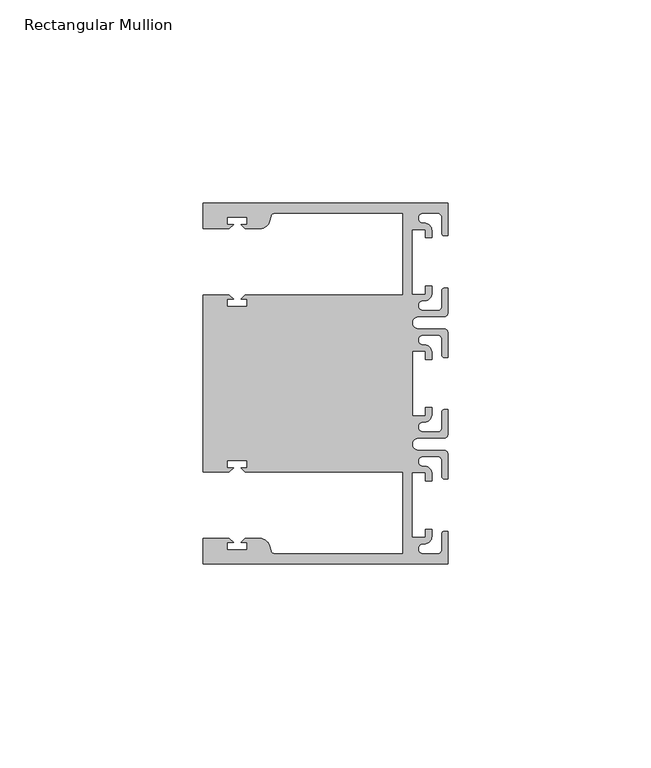
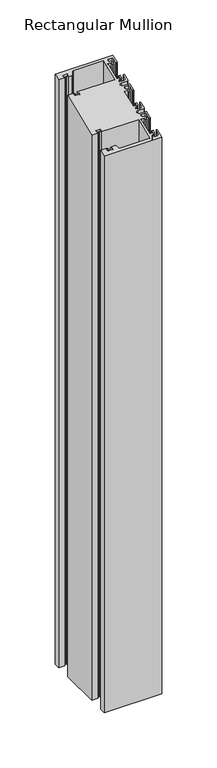
"""IFC4 building model written with IfcOpenShell, lengths in millimetres: member geometry, Rectangular Mullion."""

from ifc_helpers import new_model, si_unit, frame, origin, place, context, project, spatial, polyline, circle_curve, ellipse_curve, source, transform, mapped, element, save
from ifc_brep_helpers import plane_surface, cylinder_surface, revolved_surface, advanced_brep


def rectangular_mullion_e81c07d9(model_context):
    return source(origin(), model_context, "Body", "AdvancedBrep", [
        advanced_brep(
        [(0.0, 44.45, -635.0), (0.0, 36.4500318, -635.0), (-1.0, 36.4500318, -635.0), (-1.5, 36.9500318, -635.0), (-1.5, 40.95, -635.0), (-2.5, 41.95, -635.0), (-6.0499986, 41.95, -635.0), (-5.9027291, 39.4587029, -635.0), (-4.0000054, 37.7499972, -635.0), (-4.0000054, 35.9500318, -635.0), (-5.5, 35.9500318, -635.0), (-5.5, 37.9499972, -635.0), (-8.8585786, 37.9499972, -635.0), (-8.8585786, 21.9499956, -635.0), (-5.5, 21.9499956, -635.0), (-5.5, 23.9499611, -635.0), (-3.9999946, 23.9499611, -635.0), (-3.9999946, 22.0272972, -635.0), (-6.0499986, 20.4499956, -635.0), (-6.0499986, 17.9499929, -635.0), (-2.5, 17.9499929, -635.0), (-1.5, 18.9499929, -635.0), (-1.5, 22.9499611, -635.0), (-1.0, 23.4499611, -635.0), (0.0, 23.4499611, -635.0), (0.0, 17.4499929, -635.0), (-1.0, 16.4499929, -635.0), (-7.3, 16.4499929, -635.0), (-7.3046244, 13.45, -635.0), (-1.0, 13.45, -635.0), (0.0, 12.45, -635.0), (0.0, 6.4500354, -635.0), (-0.9999964, 6.4500354, -635.0), (-1.4999964, 6.9500354, -635.0), (-1.4999964, 10.95, -635.0), (-2.4999964, 11.95, -635.0), (-6.0499986, 11.95, -635.0), (-6.0499986, 9.4499972, -635.0), (-4.0000054, 7.7499972, -635.0), (-4.0000054, 5.9500318, -635.0), (-5.5, 5.9500318, -635.0), (-5.5, 7.9499972, -635.0), (-8.8, 7.9499972, -635.0), (-8.8, -7.9499972, -635.0), (-5.5, -7.9499972, -635.0), (-5.5, -5.9500318, -635.0), (-4.0000054, -5.9500318, -635.0), (-4.0000054, -7.7499972, -635.0), (-6.0499986, -9.4499972, -635.0), (-6.0499986, -11.95, -635.0), (-2.4999964, -11.95, -635.0), (-1.4999964, -10.95, -635.0), (-1.4999964, -6.9500354, -635.0), (-0.9999964, -6.4500354, -635.0), (0.0, -6.4500354, -635.0), (0.0, -12.45, -635.0), (-1.0, -13.45, -635.0), (-7.3046244, -13.45, -635.0), (-7.3, -16.4499929, -635.0), (-1.0, -16.4499929, -635.0), (0.0, -17.4499929, -635.0), (0.0, -23.4499611, -635.0), (-1.0, -23.4499611, -635.0), (-1.5, -22.9499611, -635.0), (-1.5, -18.9499929, -635.0), (-2.5, -17.9499929, -635.0), (-6.0499986, -17.9499929, -635.0), (-6.0499986, -20.4499956, -635.0), (-3.9999946, -22.0272972, -635.0), (-3.9999946, -23.9499611, -635.0), (-5.5, -23.9499611, -635.0), (-5.5, -21.9499956, -635.0), (-8.8585786, -21.9499956, -635.0), (-8.8585786, -37.9499972, -635.0), (-5.5, -37.9499972, -635.0), (-5.5, -35.9500318, -635.0), (-4.0000054, -35.9500318, -635.0), (-4.0000054, -37.7499972, -635.0), (-5.9027291, -39.4587029, -635.0), (-6.0499986, -41.95, -635.0), (-2.5, -41.95, -635.0), (-1.5, -40.95, -635.0), (-1.5, -36.9500318, -635.0), (-1.0, -36.4500318, -635.0), (0.0, -36.4500318, -635.0), (0.0, -44.45, -635.0), (-60.325, -44.45, -635.0), (-60.325, -38.1499897, -635.0), (-53.8507531, -38.1499897, -635.0), (-52.8507405, -39.1500023, -635.0), (-54.4249778, -39.1500023, -635.0), (-54.4249778, -40.9498819, -635.0), (-49.4249831, -40.9498819, -635.0), (-49.4249831, -39.1500023, -635.0), (-50.999256, -39.1500023, -635.0), (-49.9992503, -38.1499966, -635.0), (-46.3137853, -38.1499966, -635.0), (-43.8989707, -40.002949, -635.0), (-43.5758588, -41.2088192, -635.0), (-42.6099329, -41.9500001, -635.0), (-11.1125, -41.95, -635.0), (-11.1125, -21.7499959, -635.0), (-49.9992434, -21.7499959, -635.0), (-50.999256, -20.7499834, -635.0), (-49.4250186, -20.7499834, -635.0), (-49.4250186, -18.949936, -635.0), (-54.4250134, -18.949936, -635.0), (-54.4250134, -20.7499834, -635.0), (-52.8507405, -20.7499834, -635.0), (-53.8507562, -21.749999, -635.0), (-60.325, -21.749999, -635.0), (-60.325, 21.749999, -635.0), (-53.8507562, 21.749999, -635.0), (-52.8507405, 20.7499834, -635.0), (-54.4250134, 20.7499834, -635.0), (-54.4250134, 18.949936, -635.0), (-49.4250186, 18.949936, -635.0), (-49.4250186, 20.7499834, -635.0), (-50.999256, 20.7499834, -635.0), (-49.9992434, 21.7499959, -635.0), (-11.1124977, 21.7499959, -635.0), (-11.1124977, 41.95, -635.0), (-42.6099329, 41.95, -635.0), (-43.5758588, 41.2088192, -635.0), (-43.8989707, 40.002949, -635.0), (-46.3137853, 38.1499966, -635.0), (-49.9992503, 38.1499966, -635.0), (-50.999256, 39.1500023, -635.0), (-49.4249831, 39.1500023, -635.0), (-49.4249831, 40.9498819, -635.0), (-54.4249778, 40.9498819, -635.0), (-54.4249778, 39.1500023, -635.0), (-52.8507405, 39.1500023, -635.0), (-53.8507531, 38.1499897, -635.0), (-60.3249977, 38.1499897, -635.0), (-60.3249977, 44.45, -635.0), (-60.3249977, 44.45, 18.4117928), (0.0, 44.45, 18.4117928), (-60.3249977, 38.1499897, 15.8022431), (-53.8507531, 38.1499897, 15.8022431), (-52.8507405, 39.1500023, 16.2164619), (-54.4249778, 39.1500023, 16.2164619), (-54.4249778, 40.9498819, 16.9619965), (-49.4249831, 40.9498819, 16.9619965), (-49.4249831, 39.1500023, 16.2164619), (-50.999256, 39.1500023, 16.2164619), (-49.9992503, 38.1499966, 15.802246), (-46.3137853, 38.1499966, 15.802246), (-43.8989707, 40.002949, 16.569764), (-43.5758588, 41.2088192, 17.0692518), (-42.6099329, 41.9500001, 17.376259), (-11.1124977, 41.95, 17.3762589), (-11.1124977, 21.7499959, 9.0091433), (-49.9992434, 21.7499959, 9.0091433), (-50.999256, 20.7499834, 8.5949245), (-49.4250186, 20.7499834, 8.5949245), (-49.4250186, 18.949936, 7.8493205), (-54.4250134, 18.949936, 7.8493205), (-54.4250134, 20.7499834, 8.5949245), (-52.8507405, 20.7499834, 8.5949245), (-53.8507562, 21.749999, 9.0091446), (-60.325, 21.749999, 9.0091446), (-60.325, -21.749999, -9.0091446), (-53.8507562, -21.749999, -9.0091446), (-52.8507405, -20.7499834, -8.5949245), (-54.4250134, -20.7499834, -8.5949245), (-54.4250134, -18.949936, -7.8493205), (-49.4250186, -18.949936, -7.8493205), (-49.4250186, -20.7499834, -8.5949245), (-50.999256, -20.7499834, -8.5949245), (-49.9992434, -21.7499959, -9.0091433), (-11.1125, -21.7499959, -9.0091433), (-11.1125, -41.95, -17.3762589), (-42.6099329, -41.95, -17.376259), (-43.5758588, -41.2088192, -17.0692518), (-43.8989707, -40.002949, -16.569764), (-46.3137853, -38.1499966, -15.802246), (-49.9992503, -38.1499966, -15.802246), (-50.999256, -39.1500023, -16.2164619), (-49.4249831, -39.1500023, -16.2164619), (-49.4249831, -40.9498819, -16.9619965), (-54.4249778, -40.9498819, -16.9619965), (-54.4249778, -39.1500023, -16.2164619), (-52.8507405, -39.1500023, -16.2164619), (-53.8507531, -38.1499897, -15.8022431), (-60.325, -38.1499897, -15.8022431), (-60.325, -44.45, -18.4117928), (0.0, -44.45, -18.4117928), (0.0, -36.4500318, -15.0980975), (-1.0, -36.4500318, -15.0980975), (-1.5, -36.9500318, -15.3052043), (-1.5, -40.95, -16.9620454), (-2.5, -41.95, -17.3762589), (-6.0499986, -41.95, -17.3762589), (-5.9027291, -39.4587029, -16.3443299), (-4.0000054, -37.7499972, -15.6365608), (-4.0000054, -35.9500318, -14.8909907), (-5.5, -35.9500318, -14.8909907), (-5.5, -37.9499972, -15.7194036), (-8.8585786, -37.9499972, -15.7194036), (-8.8585786, -21.9499956, -9.0919859), (-5.5, -21.9499956, -9.0919859), (-5.5, -23.9499611, -9.9203987), (-3.9999946, -23.9499611, -9.9203987), (-3.9999946, -22.0272972, -9.1240053), (-6.0499986, -20.4499956, -8.4706655), (-6.0499986, -17.9499929, -7.4351305), (-2.5, -17.9499929, -7.4351305), (-1.5, -18.9499929, -7.8493441), (-1.5, -22.9499611, -9.5061851), (-1.0, -23.4499611, -9.7132919), (0.0, -23.4499611, -9.7132919), (0.0, -17.4499929, -7.2280237), (-1.0, -16.4499929, -6.8138101), (-7.3, -16.4499929, -6.8138101), (-7.3046244, -13.45, -5.5711724), (-1.0, -13.45, -5.5711724), (0.0, -12.45, -5.1569589), (0.0, -6.4500354, -2.6716921), (-0.9999964, -6.4500354, -2.6716921), (-1.4999964, -6.9500354, -2.8787989), (-1.4999964, -10.95, -4.5356385), (-2.4999964, -11.95, -4.9498521), (-6.0499986, -11.95, -4.9498521), (-6.0499986, -9.4499972, -3.914317), (-4.0000054, -7.7499972, -3.210154), (-4.0000054, -5.9500318, -2.4645839), (-5.5, -5.9500318, -2.4645839), (-5.5, -7.9499972, -3.2929967), (-8.8, -7.9499972, -3.2929967), (-8.8, 7.9499972, 3.2929967), (-5.5, 7.9499972, 3.2929967), (-5.5, 5.9500318, 2.4645839), (-4.0000054, 5.9500318, 2.4645839), (-4.0000054, 7.7499972, 3.210154), (-6.0499986, 9.4499972, 3.914317), (-6.0499986, 11.95, 4.9498521), (-2.4999964, 11.95, 4.9498521), (-1.4999964, 10.95, 4.5356385), (-1.4999964, 6.9500354, 2.8787989), (-0.9999964, 6.4500354, 2.6716921), (0.0, 6.4500354, 2.6716921), (0.0, 12.45, 5.1569589), (-1.0, 13.45, 5.5711724), (-7.3046244, 13.45, 5.5711724), (-7.3, 16.4499929, 6.8138101), (-1.0, 16.4499929, 6.8138101), (0.0, 17.4499929, 7.2280237), (0.0, 23.4499611, 9.7132919), (-1.0, 23.4499611, 9.7132919), (-1.5, 22.9499611, 9.5061851), (-1.5, 18.9499929, 7.8493441), (-2.5, 17.9499929, 7.4351305), (-6.0499986, 17.9499929, 7.4351305), (-6.0499986, 20.4499956, 8.4706655), (-3.9999946, 22.0272972, 9.1240053), (-3.9999946, 23.9499611, 9.9203987), (-5.5, 23.9499611, 9.9203987), (-5.5, 21.9499956, 9.0919859), (-8.8585786, 21.9499956, 9.0919859), (-8.8585786, 37.9499972, 15.7194036), (-5.5, 37.9499972, 15.7194036), (-5.5, 35.9500318, 14.8909907), (-4.0000054, 35.9500318, 14.8909907), (-4.0000054, 37.7499972, 15.6365608), (-5.9027291, 39.4587029, 16.3443299), (-6.0499986, 41.95, 17.3762589), (-2.5, 41.95, 17.3762589), (-1.5, 40.95, 16.9620454), (-1.5, 36.9500318, 15.3052043), (-1.0, 36.4500318, 15.0980975), (0.0, 36.4500318, 15.0980975)],
        [
            (0, 1),
            (1, 2),
            (2, 3, circle_curve(frame((-1.0, 36.9500318, -635.0), z_axis=(0.0, 0.0, -1.0), x_axis=(0.0, -1.0, 0.0)), 0.5)),
            (3, 4),
            (4, 5, circle_curve(frame((-2.5, 40.95, -635.0), z_axis=(0.0, 0.0, 1.0), x_axis=(0.0, -1.0, 0.0)), 1.0)),
            (5, 6),
            (6, 7, circle_curve(frame((-6.0499986, 40.6999986, -635.0), z_axis=(0.0, 0.0, 1.0), x_axis=(0.0, -1.0, 0.0)), 1.2500014)),
            (7, 8, circle_curve(frame((-5.7186029, 37.7499972, -635.0), z_axis=(0.0, 0.0, -1.0), x_axis=(1.0, 0.0, 0.0)), 1.7185975)),
            (8, 9),
            (9, 10),
            (10, 11),
            (11, 12),
            (12, 13),
            (13, 14),
            (14, 15),
            (15, 16),
            (16, 17),
            (17, 18, circle_curve(frame((-5.7543344, 22.1865598, -635.0), z_axis=(0.0, 0.0, -1.0), x_axis=(1.0, 0.0, 0.0)), 1.761554)),
            (18, 19, circle_curve(frame((-6.0499986, 19.1999942, -635.0), z_axis=(0.0, 0.0, 1.0), x_axis=(0.0, -1.0, 0.0)), 1.2500014)),
            (19, 20),
            (20, 21, circle_curve(frame((-2.5, 18.9499929, -635.0), z_axis=(0.0, 0.0, 1.0), x_axis=(0.0, -1.0, 0.0)), 1.0)),
            (21, 22),
            (22, 23, circle_curve(frame((-1.0, 22.9499611, -635.0), z_axis=(0.0, 0.0, -1.0), x_axis=(0.0, -1.0, 0.0)), 0.5)),
            (23, 24),
            (24, 25),
            (25, 26, circle_curve(frame((-1.0, 17.4499929, -635.0), z_axis=(0.0, 0.0, -1.0), x_axis=(0.0, -1.0, 0.0)), 1.0)),
            (26, 27),
            (27, 28, circle_curve(frame((-7.3, 14.9499929, -635.0), z_axis=(0.0, 0.0, 1.0), x_axis=(0.0, -1.0, 0.0)), 1.5)),
            (28, 29),
            (29, 30, circle_curve(frame((-1.0, 12.45, -635.0), z_axis=(0.0, 0.0, -1.0), x_axis=(0.0, -1.0, 0.0)), 1.0)),
            (30, 31),
            (31, 32),
            (32, 33, circle_curve(frame((-0.9999964, 6.9500354, -635.0), z_axis=(0.0, 0.0, -1.0), x_axis=(0.0, -1.0, 0.0)), 0.5)),
            (33, 34),
            (34, 35, circle_curve(frame((-2.4999964, 10.95, -635.0), z_axis=(0.0, 0.0, 1.0), x_axis=(0.0, -1.0, 0.0)), 1.0)),
            (35, 36),
            (36, 37, circle_curve(frame((-6.0499986, 10.6999986, -635.0), z_axis=(0.0, 0.0, 1.0), x_axis=(0.0, -1.0, 0.0)), 1.2500014)),
            (37, 38, circle_curve(frame((-5.7298824, 7.7499972, -635.0), z_axis=(0.0, 0.0, -1.0), x_axis=(1.0, 0.0, 0.0)), 1.729877)),
            (38, 39),
            (39, 40),
            (40, 41),
            (41, 42),
            (42, 43),
            (43, 44),
            (44, 45),
            (45, 46),
            (46, 47),
            (47, 48, circle_curve(frame((-5.7298824, -7.7499972, -635.0), z_axis=(0.0, 0.0, -1.0), x_axis=(1.0, 0.0, 0.0)), 1.729877)),
            (48, 49, circle_curve(frame((-6.0499986, -10.6999986, -635.0), z_axis=(0.0, 0.0, 1.0), x_axis=(0.0, 1.0, 0.0)), 1.2500014)),
            (49, 50),
            (50, 51, circle_curve(frame((-2.4999964, -10.95, -635.0), z_axis=(0.0, 0.0, 1.0), x_axis=(0.0, 1.0, 0.0)), 1.0)),
            (51, 52),
            (52, 53, circle_curve(frame((-0.9999964, -6.9500354, -635.0), z_axis=(0.0, 0.0, -1.0), x_axis=(0.0, 1.0, 0.0)), 0.5)),
            (53, 54),
            (54, 55),
            (55, 56, circle_curve(frame((-1.0, -12.45, -635.0), z_axis=(0.0, 0.0, -1.0), x_axis=(0.0, 1.0, 0.0)), 1.0)),
            (56, 57),
            (57, 58, circle_curve(frame((-7.3, -14.9499929, -635.0), z_axis=(0.0, 0.0, 1.0), x_axis=(0.0, 1.0, 0.0)), 1.5)),
            (58, 59),
            (59, 60, circle_curve(frame((-1.0, -17.4499929, -635.0), z_axis=(0.0, 0.0, -1.0), x_axis=(0.0, 1.0, 0.0)), 1.0)),
            (60, 61),
            (61, 62),
            (62, 63, circle_curve(frame((-1.0, -22.9499611, -635.0), z_axis=(0.0, 0.0, -1.0), x_axis=(0.0, 1.0, 0.0)), 0.5)),
            (63, 64),
            (64, 65, circle_curve(frame((-2.5, -18.9499929, -635.0), z_axis=(0.0, 0.0, 1.0), x_axis=(0.0, 1.0, 0.0)), 1.0)),
            (65, 66),
            (66, 67, circle_curve(frame((-6.0499986, -19.1999942, -635.0), z_axis=(0.0, 0.0, 1.0), x_axis=(0.0, 1.0, 0.0)), 1.2500014)),
            (67, 68, circle_curve(frame((-5.7543344, -22.1865598, -635.0), z_axis=(0.0, 0.0, -1.0), x_axis=(1.0, 0.0, 0.0)), 1.761554)),
            (68, 69),
            (69, 70),
            (70, 71),
            (71, 72),
            (72, 73),
            (73, 74),
            (74, 75),
            (75, 76),
            (76, 77),
            (77, 78, circle_curve(frame((-5.7186029, -37.7499972, -635.0), z_axis=(0.0, 0.0, -1.0), x_axis=(1.0, 0.0, 0.0)), 1.7185975)),
            (78, 79, circle_curve(frame((-6.0499986, -40.6999986, -635.0), z_axis=(0.0, 0.0, 1.0), x_axis=(0.0, 1.0, 0.0)), 1.2500014)),
            (79, 80),
            (80, 81, circle_curve(frame((-2.5, -40.95, -635.0), z_axis=(0.0, 0.0, 1.0), x_axis=(0.0, 1.0, 0.0)), 1.0)),
            (81, 82),
            (82, 83, circle_curve(frame((-1.0, -36.9500318, -635.0), z_axis=(0.0, 0.0, -1.0), x_axis=(0.0, 1.0, 0.0)), 0.5)),
            (83, 84),
            (84, 85),
            (85, 86),
            (86, 87),
            (87, 88),
            (88, 89),
            (89, 90),
            (90, 91),
            (91, 92),
            (92, 93),
            (93, 94),
            (94, 95),
            (95, 96),
            (96, 97, circle_curve(frame((-46.3137853, -40.6499966, -635.0), z_axis=(0.0, 0.0, -1.0), x_axis=(0.0, 1.0, 0.0)), 2.5)),
            (97, 98),
            (98, 99, circle_curve(frame((-42.6099329, -40.9500001, -635.0), z_axis=(0.0, 0.0, 1.0), x_axis=(0.0, 1.0, 0.0)), 1.0)),
            (99, 100),
            (100, 101),
            (101, 102),
            (102, 103),
            (103, 104),
            (104, 105),
            (105, 106),
            (106, 107),
            (107, 108),
            (108, 109),
            (109, 110),
            (110, 111),
            (111, 112),
            (112, 113),
            (113, 114),
            (114, 115),
            (115, 116),
            (116, 117),
            (117, 118),
            (118, 119),
            (119, 120),
            (120, 121),
            (121, 122),
            (122, 123, circle_curve(frame((-42.6099329, 40.9500001, -635.0), z_axis=(0.0, 0.0, 1.0), x_axis=(0.0, -1.0, 0.0)), 1.0)),
            (123, 124),
            (124, 125, circle_curve(frame((-46.3137853, 40.6499966, -635.0), z_axis=(0.0, 0.0, -1.0), x_axis=(0.0, -1.0, 0.0)), 2.5)),
            (125, 126),
            (126, 127),
            (127, 128),
            (128, 129),
            (129, 130),
            (130, 131),
            (131, 132),
            (132, 133),
            (133, 134),
            (134, 135),
            (135, 0),
            (136, 137),
            (137, 0),
            (135, 136),
            (138, 136),
            (134, 138),
            (139, 138),
            (133, 139),
            (140, 139),
            (132, 140),
            (141, 140),
            (131, 141),
            (142, 141),
            (130, 142),
            (143, 142),
            (129, 143),
            (144, 143),
            (128, 144),
            (145, 144),
            (127, 145),
            (146, 145),
            (126, 146),
            (147, 146),
            (125, 147),
            (148, 147, ellipse_curve(frame((-46.3137853, 40.6499966, 16.8377799), z_axis=(0.0, 0.3826834323650909, -0.9238795325112864), x_axis=(0.0, 0.9238795325112864, 0.3826834323650904)), 2.7059805, 2.5)),
            (124, 148),
            (149, 148),
            (123, 149),
            (150, 149, ellipse_curve(frame((-42.6099329, 40.9500001, 16.9620454), z_axis=(0.0, -0.3826834323650909, 0.9238795325112864), x_axis=(0.0, -0.9238795325112864, -0.3826834323650904)), 1.0823922, 1.0)),
            (122, 150),
            (151, 150),
            (121, 151),
            (152, 151),
            (120, 152),
            (153, 152),
            (119, 153),
            (154, 153),
            (118, 154),
            (155, 154),
            (117, 155),
            (156, 155),
            (116, 156),
            (157, 156),
            (115, 157),
            (158, 157),
            (114, 158),
            (159, 158),
            (113, 159),
            (160, 159),
            (112, 160),
            (161, 160),
            (111, 161),
            (162, 161),
            (110, 162),
            (163, 162),
            (109, 163),
            (164, 163),
            (108, 164),
            (165, 164),
            (107, 165),
            (166, 165),
            (106, 166),
            (167, 166),
            (105, 167),
            (168, 167),
            (104, 168),
            (169, 168),
            (103, 169),
            (170, 169),
            (102, 170),
            (171, 170),
            (101, 171),
            (172, 171),
            (100, 172),
            (173, 172),
            (99, 173),
            (174, 173, ellipse_curve(frame((-42.6099329, -40.9500001, -16.9620454), z_axis=(0.0, -0.3826834323650909, 0.9238795325112864), x_axis=(0.0, -0.9238795325112864, -0.3826834323650904)), 1.0823922, 1.0)),
            (98, 174),
            (175, 174),
            (97, 175),
            (176, 175, ellipse_curve(frame((-46.3137853, -40.6499966, -16.8377799), z_axis=(0.0, 0.3826834323650909, -0.9238795325112864), x_axis=(0.0, 0.9238795325112864, 0.3826834323650904)), 2.7059805, 2.5)),
            (96, 176),
            (177, 176),
            (95, 177),
            (178, 177),
            (94, 178),
            (179, 178),
            (93, 179),
            (180, 179),
            (92, 180),
            (181, 180),
            (91, 181),
            (182, 181),
            (90, 182),
            (183, 182),
            (89, 183),
            (184, 183),
            (88, 184),
            (185, 184),
            (87, 185),
            (186, 185),
            (86, 186),
            (187, 186),
            (85, 187),
            (188, 187),
            (84, 188),
            (189, 188),
            (83, 189),
            (190, 189, ellipse_curve(frame((-1.0, -36.9500318, -15.3052043), z_axis=(0.0, 0.3826834323650909, -0.9238795325112864), x_axis=(0.0, 0.9238795325112864, 0.3826834323650904)), 0.5411961, 0.5)),
            (82, 190),
            (191, 190),
            (81, 191),
            (192, 191, ellipse_curve(frame((-2.5, -40.95, -16.9620454), z_axis=(0.0, -0.3826834323650909, 0.9238795325112864), x_axis=(0.0, -0.9238795325112864, -0.3826834323650904)), 1.0823922, 1.0)),
            (80, 192),
            (193, 192),
            (79, 193),
            (194, 193, ellipse_curve(frame((-6.0499986, -40.6999986, -16.8584914), z_axis=(0.0, -0.3826834323650909, 0.9238795325112864), x_axis=(0.0, -0.9238795325112864, -0.3826834323650904)), 1.3529917, 1.2500014)),
            (78, 194),
            (195, 194, ellipse_curve(frame((-5.7186029, -37.7499972, -15.6365608), z_axis=(0.0, 0.3826834323650909, -0.9238795325112864), x_axis=(0.0, 0.9238795325112864, 0.3826834323650904)), 1.8601965, 1.7185975)),
            (77, 195),
            (196, 195),
            (76, 196),
            (197, 196),
            (75, 197),
            (198, 197),
            (74, 198),
            (199, 198),
            (73, 199),
            (200, 199),
            (72, 200),
            (201, 200),
            (71, 201),
            (202, 201),
            (70, 202),
            (203, 202),
            (69, 203),
            (204, 203),
            (68, 204),
            (205, 204, ellipse_curve(frame((-5.7543344, -22.1865598, -9.189974), z_axis=(0.0, 0.3826834323650909, -0.9238795325112864), x_axis=(0.0, 0.9238795325112864, 0.3826834323650904)), 1.9066923, 1.761554)),
            (67, 205),
            (206, 205, ellipse_curve(frame((-6.0499986, -19.1999942, -7.952898), z_axis=(0.0, -0.3826834323650909, 0.9238795325112864), x_axis=(0.0, -0.9238795325112864, -0.3826834323650904)), 1.3529917, 1.2500014)),
            (66, 206),
            (207, 206),
            (65, 207),
            (208, 207, ellipse_curve(frame((-2.5, -18.9499929, -7.8493441), z_axis=(0.0, -0.3826834323650909, 0.9238795325112864), x_axis=(0.0, -0.9238795325112864, -0.3826834323650904)), 1.0823922, 1.0)),
            (64, 208),
            (209, 208),
            (63, 209),
            (210, 209, ellipse_curve(frame((-1.0, -22.9499611, -9.5061851), z_axis=(0.0, 0.3826834323650909, -0.9238795325112864), x_axis=(0.0, 0.9238795325112864, 0.3826834323650904)), 0.5411961, 0.5)),
            (62, 210),
            (211, 210),
            (61, 211),
            (212, 211),
            (60, 212),
            (213, 212, ellipse_curve(frame((-1.0, -17.4499929, -7.2280237), z_axis=(0.0, 0.3826834323650909, -0.9238795325112864), x_axis=(0.0, 0.9238795325112864, 0.3826834323650904)), 1.0823922, 1.0)),
            (59, 213),
            (214, 213),
            (58, 214),
            (215, 214, ellipse_curve(frame((-7.3, -14.9499929, -6.1924898), z_axis=(0.0, -0.3826834323650909, 0.9238795325112864), x_axis=(0.0, -0.9238795325112864, -0.3826834323650904)), 1.6235883, 1.5)),
            (57, 215),
            (216, 215),
            (56, 216),
            (217, 216, ellipse_curve(frame((-1.0, -12.45, -5.1569589), z_axis=(0.0, 0.3826834323650909, -0.9238795325112864), x_axis=(0.0, 0.9238795325112864, 0.3826834323650904)), 1.0823922, 1.0)),
            (55, 217),
            (218, 217),
            (54, 218),
            (219, 218),
            (53, 219),
            (220, 219, ellipse_curve(frame((-0.9999964, -6.9500354, -2.8787989), z_axis=(0.0, 0.3826834323650909, -0.9238795325112864), x_axis=(0.0, 0.9238795325112864, 0.3826834323650904)), 0.5411961, 0.5)),
            (52, 220),
            (221, 220),
            (51, 221),
            (222, 221, ellipse_curve(frame((-2.4999964, -10.95, -4.5356385), z_axis=(0.0, -0.3826834323650909, 0.9238795325112864), x_axis=(0.0, -0.9238795325112864, -0.3826834323650904)), 1.0823922, 1.0)),
            (50, 222),
            (223, 222),
            (49, 223),
            (224, 223, ellipse_curve(frame((-6.0499986, -10.6999986, -4.4320845), z_axis=(0.0, -0.3826834323650909, 0.9238795325112864), x_axis=(0.0, -0.9238795325112864, -0.3826834323650904)), 1.3529917, 1.2500014)),
            (48, 224),
            (225, 224, ellipse_curve(frame((-5.7298824, -7.7499972, -3.210154), z_axis=(0.0, 0.3826834323650909, -0.9238795325112864), x_axis=(0.0, 0.9238795325112864, 0.3826834323650904)), 1.8724054, 1.729877)),
            (47, 225),
            (226, 225),
            (46, 226),
            (227, 226),
            (45, 227),
            (228, 227),
            (44, 228),
            (229, 228),
            (43, 229),
            (230, 229),
            (42, 230),
            (231, 230),
            (41, 231),
            (232, 231),
            (40, 232),
            (233, 232),
            (39, 233),
            (234, 233),
            (38, 234),
            (235, 234, ellipse_curve(frame((-5.7298824, 7.7499972, 3.210154), z_axis=(0.0, 0.3826834323650909, -0.9238795325112864), x_axis=(0.0, 0.9238795325112864, 0.3826834323650904)), 1.8724054, 1.729877)),
            (37, 235),
            (236, 235, ellipse_curve(frame((-6.0499986, 10.6999986, 4.4320845), z_axis=(0.0, -0.3826834323650909, 0.9238795325112864), x_axis=(0.0, -0.9238795325112864, -0.3826834323650904)), 1.3529917, 1.2500014)),
            (36, 236),
            (237, 236),
            (35, 237),
            (238, 237, ellipse_curve(frame((-2.4999964, 10.95, 4.5356385), z_axis=(0.0, -0.3826834323650909, 0.9238795325112864), x_axis=(0.0, -0.9238795325112864, -0.3826834323650904)), 1.0823922, 1.0)),
            (34, 238),
            (239, 238),
            (33, 239),
            (240, 239, ellipse_curve(frame((-0.9999964, 6.9500354, 2.8787989), z_axis=(0.0, 0.3826834323650909, -0.9238795325112864), x_axis=(0.0, 0.9238795325112864, 0.3826834323650904)), 0.5411961, 0.5)),
            (32, 240),
            (241, 240),
            (31, 241),
            (242, 241),
            (30, 242),
            (243, 242, ellipse_curve(frame((-1.0, 12.45, 5.1569589), z_axis=(0.0, 0.3826834323650909, -0.9238795325112864), x_axis=(0.0, 0.9238795325112864, 0.3826834323650904)), 1.0823922, 1.0)),
            (29, 243),
            (244, 243),
            (28, 244),
            (245, 244, ellipse_curve(frame((-7.3, 14.9499929, 6.1924898), z_axis=(0.0, -0.3826834323650909, 0.9238795325112864), x_axis=(0.0, -0.9238795325112864, -0.3826834323650904)), 1.6235883, 1.5)),
            (27, 245),
            (246, 245),
            (26, 246),
            (247, 246, ellipse_curve(frame((-1.0, 17.4499929, 7.2280237), z_axis=(0.0, 0.3826834323650909, -0.9238795325112864), x_axis=(0.0, 0.9238795325112864, 0.3826834323650904)), 1.0823922, 1.0)),
            (25, 247),
            (248, 247),
            (24, 248),
            (249, 248),
            (23, 249),
            (250, 249, ellipse_curve(frame((-1.0, 22.9499611, 9.5061851), z_axis=(0.0, 0.3826834323650909, -0.9238795325112864), x_axis=(0.0, 0.9238795325112864, 0.3826834323650904)), 0.5411961, 0.5)),
            (22, 250),
            (251, 250),
            (21, 251),
            (252, 251, ellipse_curve(frame((-2.5, 18.9499929, 7.8493441), z_axis=(0.0, -0.3826834323650909, 0.9238795325112864), x_axis=(0.0, -0.9238795325112864, -0.3826834323650904)), 1.0823922, 1.0)),
            (20, 252),
            (253, 252),
            (19, 253),
            (254, 253, ellipse_curve(frame((-6.0499986, 19.1999942, 7.952898), z_axis=(0.0, -0.3826834323650909, 0.9238795325112864), x_axis=(0.0, -0.9238795325112864, -0.3826834323650904)), 1.3529917, 1.2500014)),
            (18, 254),
            (255, 254, ellipse_curve(frame((-5.7543344, 22.1865598, 9.189974), z_axis=(0.0, 0.3826834323650909, -0.9238795325112864), x_axis=(0.0, 0.9238795325112864, 0.3826834323650904)), 1.9066923, 1.761554)),
            (17, 255),
            (256, 255),
            (16, 256),
            (257, 256),
            (15, 257),
            (258, 257),
            (14, 258),
            (259, 258),
            (13, 259),
            (260, 259),
            (12, 260),
            (261, 260),
            (11, 261),
            (262, 261),
            (10, 262),
            (263, 262),
            (9, 263),
            (264, 263),
            (8, 264),
            (265, 264, ellipse_curve(frame((-5.7186029, 37.7499972, 15.6365608), z_axis=(0.0, 0.3826834323650909, -0.9238795325112864), x_axis=(0.0, 0.9238795325112864, 0.3826834323650904)), 1.8601965, 1.7185975)),
            (7, 265),
            (266, 265, ellipse_curve(frame((-6.0499986, 40.6999986, 16.8584914), z_axis=(0.0, -0.3826834323650909, 0.9238795325112864), x_axis=(0.0, -0.9238795325112864, -0.3826834323650904)), 1.3529917, 1.2500014)),
            (6, 266),
            (267, 266),
            (5, 267),
            (268, 267, ellipse_curve(frame((-2.5, 40.95, 16.9620454), z_axis=(0.0, -0.3826834323650909, 0.9238795325112864), x_axis=(0.0, -0.9238795325112864, -0.3826834323650904)), 1.0823922, 1.0)),
            (4, 268),
            (269, 268),
            (3, 269),
            (270, 269, ellipse_curve(frame((-1.0, 36.9500318, 15.3052043), z_axis=(0.0, 0.3826834323650909, -0.9238795325112864), x_axis=(0.0, 0.9238795325112864, 0.3826834323650904)), 0.5411961, 0.5)),
            (2, 270),
            (271, 270),
            (1, 271),
            (137, 271),
        ],
        [
            plane_surface(frame((0.0, -74.9326906, -635.0), z_axis=(0.0, 0.0, -1.0), x_axis=(-1.0, 0.0, 0.0))),
            plane_surface(frame((0.0, 44.45, 0.0), z_axis=(0.0, 1.0, 0.0), x_axis=(0.0, 0.0, -1.0))),
            plane_surface(frame((-60.3249977, 44.45, 0.0), z_axis=(-1.0, 0.0, 0.0), x_axis=(0.0, 0.0, -1.0))),
            plane_surface(frame((-60.3249977, 38.1499897, 0.0), z_axis=(0.0, -1.0, 0.0), x_axis=(0.0, 0.0, -1.0))),
            plane_surface(frame((-53.8507531, 38.1499897, 0.0), z_axis=(0.7071067811865492, -0.7071067811865459, 0.0), x_axis=(0.0, 0.0, -1.0))),
            plane_surface(frame((-52.8507405, 39.1500023, 0.0), z_axis=(0.0, 1.0, 0.0), x_axis=(0.0, 0.0, -1.0))),
            plane_surface(frame((-54.4249778, 39.1500023, 0.0), z_axis=(1.0, 0.0, 0.0), x_axis=(0.0, 0.0, -1.0))),
            plane_surface(frame((-54.4249778, 40.9498819, 0.0), z_axis=(0.0, -1.0, 0.0), x_axis=(0.0, 0.0, -1.0))),
            plane_surface(frame((-49.4249831, 40.9498819, 0.0), z_axis=(-1.0, 0.0, 0.0), x_axis=(0.0, 0.0, -1.0))),
            plane_surface(frame((-49.4249831, 39.1500023, 0.0), z_axis=(0.0, 1.0, 0.0), x_axis=(0.0, 0.0, -1.0))),
            plane_surface(frame((-50.999256, 39.1500023, 0.0), z_axis=(-0.7071067811865469, -0.7071067811865481, 0.0), x_axis=(0.0, 0.0, -1.0))),
            plane_surface(frame((-49.9992503, 38.1499966, 0.0), z_axis=(0.0, -1.0, 0.0), x_axis=(0.0, 0.0, -1.0))),
            cylinder_surface(frame((-46.3137853, 40.6499966, 0.0), z_axis=(0.0, 0.0, 1.0), x_axis=(0.0, -1.0, 0.0)), 2.5),
            plane_surface(frame((-43.8989707, 40.002949, 0.0), z_axis=(0.965925826289163, -0.2588190451021675, 0.0), x_axis=(0.0, 0.0, -1.0))),
            revolved_surface(polyline([(-42.6099329, 39.9500001, -635.0), (-42.6099329, 39.9500001, 17.376259)]), (-42.6099329, 40.9500001, 0.0), (0.0, 0.0, -1.0)),
            plane_surface(frame((-42.6099329, 41.95, 0.0), z_axis=(0.0, -1.0, 0.0), x_axis=(0.0, 0.0, -1.0))),
            plane_surface(frame((-11.1124977, 41.95, 0.0), z_axis=(-1.0, 0.0, 0.0), x_axis=(0.0, 0.0, -1.0))),
            plane_surface(frame((-11.1124977, 21.7499959, 0.0), z_axis=(0.0, 1.0, 0.0), x_axis=(0.0, 0.0, -1.0))),
            plane_surface(frame((-49.9992434, 21.7499959, 0.0), z_axis=(-0.7071067811865492, 0.7071067811865459, 0.0), x_axis=(0.0, 0.0, -1.0))),
            plane_surface(frame((-50.999256, 20.7499834, 0.0), z_axis=(0.0, -1.0, 0.0), x_axis=(0.0, 0.0, -1.0))),
            plane_surface(frame((-49.4250186, 20.7499834, 0.0), z_axis=(-1.0, 0.0, 0.0), x_axis=(0.0, 0.0, -1.0))),
            plane_surface(frame((-49.4250186, 18.949936, 0.0), z_axis=(0.0, 1.0, 0.0), x_axis=(0.0, 0.0, -1.0))),
            plane_surface(frame((-54.4250134, 18.949936, 0.0), z_axis=(1.0, 0.0, 0.0), x_axis=(0.0, 0.0, -1.0))),
            plane_surface(frame((-54.4250134, 20.7499834, 0.0), z_axis=(0.0, -1.0, 0.0), x_axis=(0.0, 0.0, -1.0))),
            plane_surface(frame((-52.8507405, 20.7499834, 0.0), z_axis=(0.7071067811865472, 0.7071067811865479, 0.0), x_axis=(0.0, 0.0, -1.0))),
            plane_surface(frame((-53.8507562, 21.749999, 0.0), z_axis=(0.0, 1.0, 0.0), x_axis=(0.0, 0.0, -1.0))),
            plane_surface(frame((-60.325, 21.749999, 0.0), z_axis=(-1.0, 0.0, 0.0), x_axis=(0.0, 0.0, -1.0))),
            plane_surface(frame((-60.325, -21.749999, 0.0), z_axis=(0.0, -1.0, 0.0), x_axis=(0.0, 0.0, -1.0))),
            plane_surface(frame((-53.8507562, -21.749999, 0.0), z_axis=(0.7071067811865518, -0.7071067811865434, 0.0), x_axis=(0.0, 0.0, -1.0))),
            plane_surface(frame((-52.8507405, -20.7499834, 0.0), z_axis=(0.0, 1.0, 0.0), x_axis=(0.0, 0.0, -1.0))),
            plane_surface(frame((-54.4250134, -20.7499834, 0.0), z_axis=(1.0, 0.0, 0.0), x_axis=(0.0, 0.0, -1.0))),
            plane_surface(frame((-54.4250134, -18.949936, 0.0), z_axis=(0.0, -1.0, 0.0), x_axis=(0.0, 0.0, -1.0))),
            plane_surface(frame((-49.4250186, -18.949936, 0.0), z_axis=(-1.0, 0.0, 0.0), x_axis=(0.0, 0.0, -1.0))),
            plane_surface(frame((-49.4250186, -20.7499834, 0.0), z_axis=(0.0, 1.0, 0.0), x_axis=(0.0, 0.0, -1.0))),
            plane_surface(frame((-50.999256, -20.7499834, 0.0), z_axis=(-0.7071067811865447, -0.7071067811865505, 0.0), x_axis=(0.0, 0.0, -1.0))),
            plane_surface(frame((-49.9992434, -21.7499959, 0.0), z_axis=(0.0, -1.0, 0.0), x_axis=(0.0, 0.0, -1.0))),
            plane_surface(frame((-11.1125, -21.7499959, 0.0), z_axis=(-1.0, 0.0, 0.0), x_axis=(0.0, 0.0, -1.0))),
            plane_surface(frame((-11.1125, -41.95, 0.0), z_axis=(0.0, 1.0, 0.0), x_axis=(0.0, 0.0, -1.0))),
            revolved_surface(polyline([(-42.6099329, -39.9500001, -635.0), (-42.6099329, -39.9500001, -16.547831837738798)]), (-42.6099329, -40.9500001, 0.0), (0.0, 0.0, -1.0)),
            plane_surface(frame((-43.5758588, -41.2088192, 0.0), z_axis=(0.9659258262891613, 0.2588190451021737, 0.0), x_axis=(0.0, 0.0, -1.0))),
            cylinder_surface(frame((-46.3137853, -40.6499966, 0.0), z_axis=(0.0, 0.0, 1.0), x_axis=(0.0, 1.0, 0.0)), 2.5),
            plane_surface(frame((-46.3137853, -38.1499966, 0.0), z_axis=(0.0, 1.0, 0.0), x_axis=(0.0, 0.0, -1.0))),
            plane_surface(frame((-49.9992503, -38.1499966, 0.0), z_axis=(-0.7071067811865515, 0.7071067811865436, 0.0), x_axis=(0.0, 0.0, -1.0))),
            plane_surface(frame((-50.999256, -39.1500023, 0.0), z_axis=(0.0, -1.0, 0.0), x_axis=(0.0, 0.0, -1.0))),
            plane_surface(frame((-49.4249831, -39.1500023, 0.0), z_axis=(-1.0, 0.0, 0.0), x_axis=(0.0, 0.0, -1.0))),
            plane_surface(frame((-49.4249831, -40.9498819, 0.0), z_axis=(0.0, 1.0, 0.0), x_axis=(0.0, 0.0, -1.0))),
            plane_surface(frame((-54.4249778, -40.9498819, 0.0), z_axis=(1.0, 0.0, 0.0), x_axis=(0.0, 0.0, -1.0))),
            plane_surface(frame((-54.4249778, -39.1500023, 0.0), z_axis=(0.0, -1.0, 0.0), x_axis=(0.0, 0.0, -1.0))),
            plane_surface(frame((-52.8507405, -39.1500023, 0.0), z_axis=(0.7071067811865447, 0.7071067811865505, 0.0), x_axis=(0.0, 0.0, -1.0))),
            plane_surface(frame((-53.8507531, -38.1499897, 0.0), z_axis=(0.0, 1.0, 0.0), x_axis=(0.0, 0.0, -1.0))),
            plane_surface(frame((-60.325, -38.1499897, 0.0), z_axis=(-1.0, 0.0, 0.0), x_axis=(0.0, 0.0, -1.0))),
            plane_surface(frame((-60.325, -44.45, 0.0), z_axis=(0.0, -1.0, 0.0), x_axis=(0.0, 0.0, -1.0))),
            plane_surface(frame((0.0, -44.45, 0.0), z_axis=(1.0, 0.0, 0.0), x_axis=(0.0, 0.0, -1.0))),
            plane_surface(frame((0.0, -36.4500318, 0.0), z_axis=(0.0, 1.0, 0.0), x_axis=(0.0, 0.0, -1.0))),
            cylinder_surface(frame((-1.0, -36.9500318, 0.0), z_axis=(0.0, 0.0, 1.0), x_axis=(0.0, 1.0, 0.0)), 0.5),
            plane_surface(frame((-1.5, -36.9500318, 0.0), z_axis=(-1.0, 0.0, 0.0), x_axis=(0.0, 0.0, -1.0))),
            revolved_surface(polyline([(-2.5, -39.95, -635.0), (-2.5, -39.95, -16.547831837738798)]), (-2.5, -40.95, 0.0), (0.0, 0.0, -1.0)),
            plane_surface(frame((-2.5, -41.95, 0.0), z_axis=(0.0, 1.0, 0.0), x_axis=(0.0, 0.0, -1.0))),
            revolved_surface(polyline([(-6.0499986, -39.4499972, -635.0), (-6.0499986, -39.4499972, -16.34072389228252)]), (-6.0499986, -40.6999986, 0.0), (0.0, 0.0, -1.0)),
            cylinder_surface(frame((-5.7186029, -37.7499972, 0.0), z_axis=(0.0, 0.0, 1.0), x_axis=(1.0, 0.0, 0.0)), 1.7185975),
            plane_surface(frame((-4.0000054, -37.7499972, 0.0), z_axis=(1.0, 0.0, 0.0), x_axis=(0.0, 0.0, -1.0))),
            plane_surface(frame((-4.0000054, -35.9500318, 0.0), z_axis=(0.0, 1.0, 0.0), x_axis=(0.0, 0.0, -1.0))),
            plane_surface(frame((-5.5, -35.9500318, 0.0), z_axis=(-1.0, 0.0, 0.0), x_axis=(0.0, 0.0, -1.0))),
            plane_surface(frame((-5.5, -37.9499972, 0.0), z_axis=(0.0, 1.0, 0.0), x_axis=(0.0, 0.0, -1.0))),
            plane_surface(frame((-8.8585786, -37.9499972, 0.0), z_axis=(1.0, 0.0, 0.0), x_axis=(0.0, 0.0, -1.0))),
            plane_surface(frame((-8.8585786, -21.9499956, 0.0), z_axis=(0.0, -1.0, 0.0), x_axis=(0.0, 0.0, -1.0))),
            plane_surface(frame((-5.5, -21.9499956, 0.0), z_axis=(-1.0, 0.0, 0.0), x_axis=(0.0, 0.0, -1.0))),
            plane_surface(frame((-5.5, -23.9499611, 0.0), z_axis=(0.0, -1.0, 0.0), x_axis=(0.0, 0.0, -1.0))),
            plane_surface(frame((-3.9999946, -23.9499611, 0.0), z_axis=(1.0, 0.0, 0.0), x_axis=(0.0, 0.0, -1.0))),
            cylinder_surface(frame((-5.7543344, -22.1865598, 0.0), z_axis=(0.0, 0.0, 1.0), x_axis=(1.0, 0.0, 0.0)), 1.761554),
            revolved_surface(polyline([(-6.0499986, -17.9499928, -635.0), (-6.0499986, -17.9499928, -7.435130492282521)]), (-6.0499986, -19.1999942, 0.0), (0.0, 0.0, -1.0)),
            plane_surface(frame((-6.0499986, -17.9499929, 0.0), z_axis=(0.0, -1.0, 0.0), x_axis=(0.0, 0.0, -1.0))),
            revolved_surface(polyline([(-2.5, -17.9499929, -635.0), (-2.5, -17.9499929, -7.4351305)]), (-2.5, -18.9499929, 0.0), (0.0, 0.0, -1.0)),
            plane_surface(frame((-1.5, -18.9499929, 0.0), z_axis=(-1.0, 0.0, 0.0), x_axis=(0.0, 0.0, -1.0))),
            cylinder_surface(frame((-1.0, -22.9499611, 0.0), z_axis=(0.0, 0.0, 1.0), x_axis=(0.0, 1.0, 0.0)), 0.5),
            plane_surface(frame((-1.0, -23.4499611, 0.0), z_axis=(0.0, -1.0, 0.0), x_axis=(0.0, 0.0, -1.0))),
            plane_surface(frame((0.0, -23.4499611, 0.0), z_axis=(1.0, 0.0, 0.0), x_axis=(0.0, 0.0, -1.0))),
            cylinder_surface(frame((-1.0, -17.4499929, 0.0), z_axis=(0.0, 0.0, 1.0), x_axis=(0.0, 1.0, 0.0)), 1.0),
            plane_surface(frame((-1.0, -16.4499929, 0.0), z_axis=(0.0, 1.0, 0.0), x_axis=(0.0, 0.0, -1.0))),
            revolved_surface(polyline([(-7.3, -13.4499929, -635.0), (-7.3, -13.4499929, -5.571169456608198)]), (-7.3, -14.9499929, 0.0), (0.0, 0.0, -1.0)),
            plane_surface(frame((-7.3046244, -13.45, 0.0), z_axis=(0.0, -1.0, 0.0), x_axis=(0.0, 0.0, -1.0))),
            cylinder_surface(frame((-1.0, -12.45, 0.0), z_axis=(0.0, 0.0, 1.0), x_axis=(0.0, 1.0, 0.0)), 1.0),
            plane_surface(frame((0.0, -12.45, 0.0), z_axis=(1.0, 0.0, 0.0), x_axis=(0.0, 0.0, -1.0))),
            plane_surface(frame((0.0, -6.4500354, 0.0), z_axis=(0.0, 1.0, 0.0), x_axis=(0.0, 0.0, -1.0))),
            cylinder_surface(frame((-0.9999964, -6.9500354, 0.0), z_axis=(0.0, 0.0, 1.0), x_axis=(0.0, 1.0, 0.0)), 0.5),
            plane_surface(frame((-1.4999964, -6.9500354, 0.0), z_axis=(-1.0, 0.0, 0.0), x_axis=(0.0, 0.0, -1.0))),
            revolved_surface(polyline([(-2.4999964, -9.95, -635.0), (-2.4999964, -9.95, -4.121424937738799)]), (-2.4999964, -10.95, 0.0), (0.0, 0.0, -1.0)),
            plane_surface(frame((-2.4999964, -11.95, 0.0), z_axis=(0.0, 1.0, 0.0), x_axis=(0.0, 0.0, -1.0))),
            revolved_surface(polyline([(-6.0499986, -9.4499972, -635.0), (-6.0499986, -9.4499972, -3.9143169922825214)]), (-6.0499986, -10.6999986, 0.0), (0.0, 0.0, -1.0)),
            cylinder_surface(frame((-5.7298824, -7.7499972, 0.0), z_axis=(0.0, 0.0, 1.0), x_axis=(1.0, 0.0, 0.0)), 1.729877),
            plane_surface(frame((-4.0000054, -7.7499972, 0.0), z_axis=(1.0, 0.0, 0.0), x_axis=(0.0, 0.0, -1.0))),
            plane_surface(frame((-4.0000054, -5.9500318, 0.0), z_axis=(0.0, 1.0, 0.0), x_axis=(0.0, 0.0, -1.0))),
            plane_surface(frame((-5.5, -5.9500318, 0.0), z_axis=(-1.0, 0.0, 0.0), x_axis=(0.0, 0.0, -1.0))),
            plane_surface(frame((-5.5, -7.9499972, 0.0), z_axis=(0.0, 1.0, 0.0), x_axis=(0.0, 0.0, -1.0))),
            plane_surface(frame((-8.8, -7.9499972, 0.0), z_axis=(1.0, 0.0, 0.0), x_axis=(0.0, 0.0, -1.0))),
            plane_surface(frame((-8.8, 7.9499972, 0.0), z_axis=(0.0, -1.0, 0.0), x_axis=(0.0, 0.0, -1.0))),
            plane_surface(frame((-5.5, 7.9499972, 0.0), z_axis=(-1.0, 0.0, 0.0), x_axis=(0.0, 0.0, -1.0))),
            plane_surface(frame((-5.5, 5.9500318, 0.0), z_axis=(0.0, -1.0, 0.0), x_axis=(0.0, 0.0, -1.0))),
            plane_surface(frame((-4.0000054, 5.9500318, 0.0), z_axis=(1.0, 0.0, 0.0), x_axis=(0.0, 0.0, -1.0))),
            cylinder_surface(frame((-5.7298824, 7.7499972, 0.0), z_axis=(0.0, 0.0, 1.0), x_axis=(1.0, 0.0, 0.0)), 1.729877),
            revolved_surface(polyline([(-6.0499986, 9.4499972, -635.0), (-6.0499986, 9.4499972, 4.9498521)]), (-6.0499986, 10.6999986, 0.0), (0.0, 0.0, -1.0)),
            plane_surface(frame((-6.0499986, 11.95, 0.0), z_axis=(0.0, -1.0, 0.0), x_axis=(0.0, 0.0, -1.0))),
            revolved_surface(polyline([(-2.4999964, 9.95, -635.0), (-2.4999964, 9.95, 4.9498521)]), (-2.4999964, 10.95, 0.0), (0.0, 0.0, -1.0)),
            plane_surface(frame((-1.4999964, 10.95, 0.0), z_axis=(-1.0, 0.0, 0.0), x_axis=(0.0, 0.0, -1.0))),
            cylinder_surface(frame((-0.9999964, 6.9500354, 0.0), z_axis=(0.0, 0.0, 1.0), x_axis=(0.0, -1.0, 0.0)), 0.5),
            plane_surface(frame((-0.9999964, 6.4500354, 0.0), z_axis=(0.0, -1.0, 0.0), x_axis=(0.0, 0.0, -1.0))),
            plane_surface(frame((0.0, 6.4500354, 0.0), z_axis=(1.0, 0.0, 0.0), x_axis=(0.0, 0.0, -1.0))),
            cylinder_surface(frame((-1.0, 12.45, 0.0), z_axis=(0.0, 0.0, 1.0), x_axis=(0.0, -1.0, 0.0)), 1.0),
            plane_surface(frame((-1.0, 13.45, 0.0), z_axis=(0.0, 1.0, 0.0), x_axis=(0.0, 0.0, -1.0))),
            revolved_surface(polyline([(-7.3, 13.4499929, -635.0), (-7.3, 13.4499929, 6.813810143391802)]), (-7.3, 14.9499929, 0.0), (0.0, 0.0, -1.0)),
            plane_surface(frame((-7.3, 16.4499929, 0.0), z_axis=(0.0, -1.0, 0.0), x_axis=(0.0, 0.0, -1.0))),
            cylinder_surface(frame((-1.0, 17.4499929, 0.0), z_axis=(0.0, 0.0, 1.0), x_axis=(0.0, -1.0, 0.0)), 1.0),
            plane_surface(frame((0.0, 17.4499929, 0.0), z_axis=(1.0, 0.0, 0.0), x_axis=(0.0, 0.0, -1.0))),
            plane_surface(frame((0.0, 23.4499611, 0.0), z_axis=(0.0, 1.0, 0.0), x_axis=(0.0, 0.0, -1.0))),
            cylinder_surface(frame((-1.0, 22.9499611, 0.0), z_axis=(0.0, 0.0, 1.0), x_axis=(0.0, -1.0, 0.0)), 0.5),
            plane_surface(frame((-1.5, 22.9499611, 0.0), z_axis=(-1.0, 0.0, 0.0), x_axis=(0.0, 0.0, -1.0))),
            revolved_surface(polyline([(-2.5, 17.9499929, -635.0), (-2.5, 17.9499929, 8.263557662261201)]), (-2.5, 18.9499929, 0.0), (0.0, 0.0, -1.0)),
            plane_surface(frame((-2.5, 17.9499929, 0.0), z_axis=(0.0, 1.0, 0.0), x_axis=(0.0, 0.0, -1.0))),
            revolved_surface(polyline([(-6.0499986, 17.9499928, -635.0), (-6.0499986, 17.9499928, 8.470665507717479)]), (-6.0499986, 19.1999942, 0.0), (0.0, 0.0, -1.0)),
            cylinder_surface(frame((-5.7543344, 22.1865598, 0.0), z_axis=(0.0, 0.0, 1.0), x_axis=(1.0, 0.0, 0.0)), 1.761554),
            plane_surface(frame((-3.9999946, 22.0272972, 0.0), z_axis=(1.0, 0.0, 0.0), x_axis=(0.0, 0.0, -1.0))),
            plane_surface(frame((-3.9999946, 23.9499611, 0.0), z_axis=(0.0, 1.0, 0.0), x_axis=(0.0, 0.0, -1.0))),
            plane_surface(frame((-5.5, 23.9499611, 0.0), z_axis=(-1.0, 0.0, 0.0), x_axis=(0.0, 0.0, -1.0))),
            plane_surface(frame((-5.5, 21.9499956, 0.0), z_axis=(0.0, 1.0, 0.0), x_axis=(0.0, 0.0, -1.0))),
            plane_surface(frame((-8.8585786, 21.9499956, 0.0), z_axis=(1.0, 0.0, 0.0), x_axis=(0.0, 0.0, -1.0))),
            plane_surface(frame((-8.8585786, 37.9499972, 0.0), z_axis=(0.0, -1.0, 0.0), x_axis=(0.0, 0.0, -1.0))),
            plane_surface(frame((-5.5, 37.9499972, 0.0), z_axis=(-1.0, 0.0, 0.0), x_axis=(0.0, 0.0, -1.0))),
            plane_surface(frame((-5.5, 35.9500318, 0.0), z_axis=(0.0, -1.0, 0.0), x_axis=(0.0, 0.0, -1.0))),
            plane_surface(frame((-4.0000054, 35.9500318, 0.0), z_axis=(1.0, 0.0, 0.0), x_axis=(0.0, 0.0, -1.0))),
            cylinder_surface(frame((-5.7186029, 37.7499972, 0.0), z_axis=(0.0, 0.0, 1.0), x_axis=(1.0, 0.0, 0.0)), 1.7185975),
            revolved_surface(polyline([(-6.0499986, 39.4499972, -635.0), (-6.0499986, 39.4499972, 17.376258907717478)]), (-6.0499986, 40.6999986, 0.0), (0.0, 0.0, -1.0)),
            plane_surface(frame((-6.0499986, 41.95, 0.0), z_axis=(0.0, -1.0, 0.0), x_axis=(0.0, 0.0, -1.0))),
            revolved_surface(polyline([(-2.5, 39.95, -635.0), (-2.5, 39.95, 17.376258962261204)]), (-2.5, 40.95, 0.0), (0.0, 0.0, -1.0)),
            plane_surface(frame((-1.5, 40.95, 0.0), z_axis=(-1.0, 0.0, 0.0), x_axis=(0.0, 0.0, -1.0))),
            cylinder_surface(frame((-1.0, 36.9500318, 0.0), z_axis=(0.0, 0.0, 1.0), x_axis=(0.0, -1.0, 0.0)), 0.5),
            plane_surface(frame((-1.0, 36.4500318, 0.0), z_axis=(0.0, -1.0, 0.0), x_axis=(0.0, 0.0, -1.0))),
            plane_surface(frame((0.0, 36.4500318, 0.0), z_axis=(1.0, 0.0, 0.0), x_axis=(0.0, 0.0, -1.0))),
            plane_surface(frame((304.8, 0.0, 0.0), z_axis=(0.0, -0.3826834323650909, 0.9238795325112864), x_axis=(0.0, -0.9238795325112864, -0.3826834323650909))),
        ],
        [
            (0, [[1, 2, 3, 4, 5, 6, 7, 8, 9, 10, 11, 12, 13, 14, 15, 16, 17, 18, 19, 20, 21, 22, 23, 24, 25, 26, 27, 28, 29, 30, 31, 32, 33, 34, 35, 36, 37, 38, 39, 40, 41, 42, 43, 44, 45, 46, 47, 48, 49, 50, 51, 52, 53, 54, 55, 56, 57, 58, 59, 60, 61, 62, 63, 64, 65, 66, 67, 68, 69, 70, 71, 72, 73, 74, 75, 76, 77, 78, 79, 80, 81, 82, 83, 84, 85, 86, 87, 88, 89, 90, 91, 92, 93, 94, 95, 96, 97, 98, 99, 100, 101, 102, 103, 104, 105, 106, 107, 108, 109, 110, 111, 112, 113, 114, 115, 116, 117, 118, 119, 120, 121, 122, 123, 124, 125, 126, 127, 128, 129, 130, 131, 132, 133, 134, 135, 136]]),
            (1, [[137, 138, -136, 139]]),
            (2, [[140, -139, -135, 141]]),
            (3, [[142, -141, -134, 143]]),
            (4, [[144, -143, -133, 145]]),
            (5, [[146, -145, -132, 147]]),
            (6, [[148, -147, -131, 149]]),
            (7, [[150, -149, -130, 151]]),
            (8, [[152, -151, -129, 153]]),
            (9, [[154, -153, -128, 155]]),
            (10, [[156, -155, -127, 157]]),
            (11, [[158, -157, -126, 159]]),
            (12, [[160, -159, -125, 161]]),
            (13, [[162, -161, -124, 163]]),
            (14, [[164, -163, -123, 165]]),
            (15, [[166, -165, -122, 167]]),
            (16, [[168, -167, -121, 169]]),
            (17, [[170, -169, -120, 171]]),
            (18, [[172, -171, -119, 173]]),
            (19, [[174, -173, -118, 175]]),
            (20, [[176, -175, -117, 177]]),
            (21, [[178, -177, -116, 179]]),
            (22, [[180, -179, -115, 181]]),
            (23, [[182, -181, -114, 183]]),
            (24, [[184, -183, -113, 185]]),
            (25, [[186, -185, -112, 187]]),
            (26, [[188, -187, -111, 189]]),
            (27, [[190, -189, -110, 191]]),
            (28, [[192, -191, -109, 193]]),
            (29, [[194, -193, -108, 195]]),
            (30, [[196, -195, -107, 197]]),
            (31, [[198, -197, -106, 199]]),
            (32, [[200, -199, -105, 201]]),
            (33, [[202, -201, -104, 203]]),
            (34, [[204, -203, -103, 205]]),
            (35, [[206, -205, -102, 207]]),
            (36, [[208, -207, -101, 209]]),
            (37, [[210, -209, -100, 211]]),
            (38, [[212, -211, -99, 213]]),
            (39, [[214, -213, -98, 215]]),
            (40, [[216, -215, -97, 217]]),
            (41, [[218, -217, -96, 219]]),
            (42, [[220, -219, -95, 221]]),
            (43, [[222, -221, -94, 223]]),
            (44, [[224, -223, -93, 225]]),
            (45, [[226, -225, -92, 227]]),
            (46, [[228, -227, -91, 229]]),
            (47, [[230, -229, -90, 231]]),
            (48, [[232, -231, -89, 233]]),
            (49, [[234, -233, -88, 235]]),
            (50, [[236, -235, -87, 237]]),
            (51, [[238, -237, -86, 239]]),
            (52, [[240, -239, -85, 241]]),
            (53, [[242, -241, -84, 243]]),
            (54, [[244, -243, -83, 245]]),
            (55, [[246, -245, -82, 247]]),
            (56, [[248, -247, -81, 249]]),
            (57, [[250, -249, -80, 251]]),
            (58, [[252, -251, -79, 253]]),
            (59, [[254, -253, -78, 255]]),
            (60, [[256, -255, -77, 257]]),
            (61, [[258, -257, -76, 259]]),
            (62, [[260, -259, -75, 261]]),
            (63, [[262, -261, -74, 263]]),
            (64, [[264, -263, -73, 265]]),
            (65, [[266, -265, -72, 267]]),
            (66, [[268, -267, -71, 269]]),
            (67, [[270, -269, -70, 271]]),
            (68, [[272, -271, -69, 273]]),
            (69, [[274, -273, -68, 275]]),
            (70, [[276, -275, -67, 277]]),
            (71, [[278, -277, -66, 279]]),
            (72, [[280, -279, -65, 281]]),
            (73, [[282, -281, -64, 283]]),
            (74, [[284, -283, -63, 285]]),
            (75, [[286, -285, -62, 287]]),
            (76, [[288, -287, -61, 289]]),
            (77, [[290, -289, -60, 291]]),
            (78, [[292, -291, -59, 293]]),
            (79, [[294, -293, -58, 295]]),
            (80, [[296, -295, -57, 297]]),
            (81, [[298, -297, -56, 299]]),
            (82, [[300, -299, -55, 301]]),
            (83, [[302, -301, -54, 303]]),
            (84, [[304, -303, -53, 305]]),
            (85, [[306, -305, -52, 307]]),
            (86, [[308, -307, -51, 309]]),
            (87, [[310, -309, -50, 311]]),
            (88, [[312, -311, -49, 313]]),
            (89, [[314, -313, -48, 315]]),
            (90, [[316, -315, -47, 317]]),
            (91, [[318, -317, -46, 319]]),
            (92, [[320, -319, -45, 321]]),
            (93, [[322, -321, -44, 323]]),
            (94, [[324, -323, -43, 325]]),
            (95, [[326, -325, -42, 327]]),
            (96, [[328, -327, -41, 329]]),
            (97, [[330, -329, -40, 331]]),
            (98, [[332, -331, -39, 333]]),
            (99, [[334, -333, -38, 335]]),
            (100, [[336, -335, -37, 337]]),
            (101, [[338, -337, -36, 339]]),
            (102, [[340, -339, -35, 341]]),
            (103, [[342, -341, -34, 343]]),
            (104, [[344, -343, -33, 345]]),
            (105, [[346, -345, -32, 347]]),
            (106, [[348, -347, -31, 349]]),
            (107, [[350, -349, -30, 351]]),
            (108, [[352, -351, -29, 353]]),
            (109, [[354, -353, -28, 355]]),
            (110, [[356, -355, -27, 357]]),
            (111, [[358, -357, -26, 359]]),
            (112, [[360, -359, -25, 361]]),
            (113, [[362, -361, -24, 363]]),
            (114, [[364, -363, -23, 365]]),
            (115, [[366, -365, -22, 367]]),
            (116, [[368, -367, -21, 369]]),
            (117, [[370, -369, -20, 371]]),
            (118, [[372, -371, -19, 373]]),
            (119, [[374, -373, -18, 375]]),
            (120, [[376, -375, -17, 377]]),
            (121, [[378, -377, -16, 379]]),
            (122, [[380, -379, -15, 381]]),
            (123, [[382, -381, -14, 383]]),
            (124, [[384, -383, -13, 385]]),
            (125, [[386, -385, -12, 387]]),
            (126, [[388, -387, -11, 389]]),
            (127, [[390, -389, -10, 391]]),
            (128, [[392, -391, -9, 393]]),
            (129, [[394, -393, -8, 395]]),
            (130, [[396, -395, -7, 397]]),
            (131, [[398, -397, -6, 399]]),
            (132, [[400, -399, -5, 401]]),
            (133, [[402, -401, -4, 403]]),
            (134, [[404, -403, -3, 405]]),
            (135, [[406, -405, -2, 407]]),
            (136, [[408, -407, -1, -138]]),
            (137, [[-137, -140, -142, -144, -146, -148, -150, -152, -154, -156, -158, -160, -162, -164, -166, -168, -170, -172, -174, -176, -178, -180, -182, -184, -186, -188, -190, -192, -194, -196, -198, -200, -202, -204, -206, -208, -210, -212, -214, -216, -218, -220, -222, -224, -226, -228, -230, -232, -234, -236, -238, -240, -242, -244, -246, -248, -250, -252, -254, -256, -258, -260, -262, -264, -266, -268, -270, -272, -274, -276, -278, -280, -282, -284, -286, -288, -290, -292, -294, -296, -298, -300, -302, -304, -306, -308, -310, -312, -314, -316, -318, -320, -322, -324, -326, -328, -330, -332, -334, -336, -338, -340, -342, -344, -346, -348, -350, -352, -354, -356, -358, -360, -362, -364, -366, -368, -370, -372, -374, -376, -378, -380, -382, -384, -386, -388, -390, -392, -394, -396, -398, -400, -402, -404, -406, -408]]),
        ],
    ),
    ])


if __name__ == "__main__":
    model = new_model("IFC4")
    model_context = context("Model", 3, world=origin())
    ifc_project = project(units=[si_unit("LENGTHUNIT", "METRE", prefix="MILLI")], contexts=[model_context])
    site = spatial("IfcSite", under=ifc_project)
    building = spatial("IfcBuilding", under=site)
    placement = place(None, origin())
    rectangular_mullion_shape = rectangular_mullion_e81c07d9(model_context)
    element("IfcMember", 1, ObjectType="Rectangular Mullion", at=placement, inside=building, context=model_context, shape_type="MappedRepresentation", body=[
        mapped(rectangular_mullion_shape, transform((0.0, 0.0, 0.0), x_axis=(1.0, 0.0, 0.0), y_axis=(0.0, 1.0, 0.0), z_axis=(0.0, 0.0, 1.0))),
    ])
    save(model, "model.ifc")
